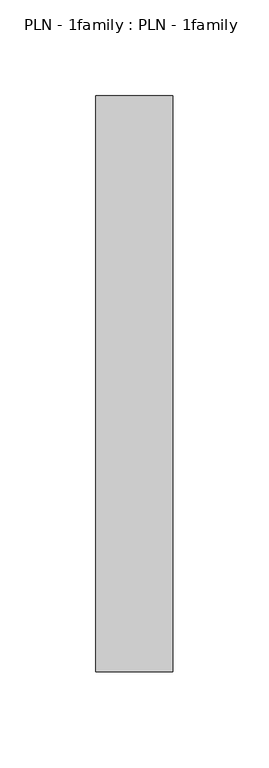
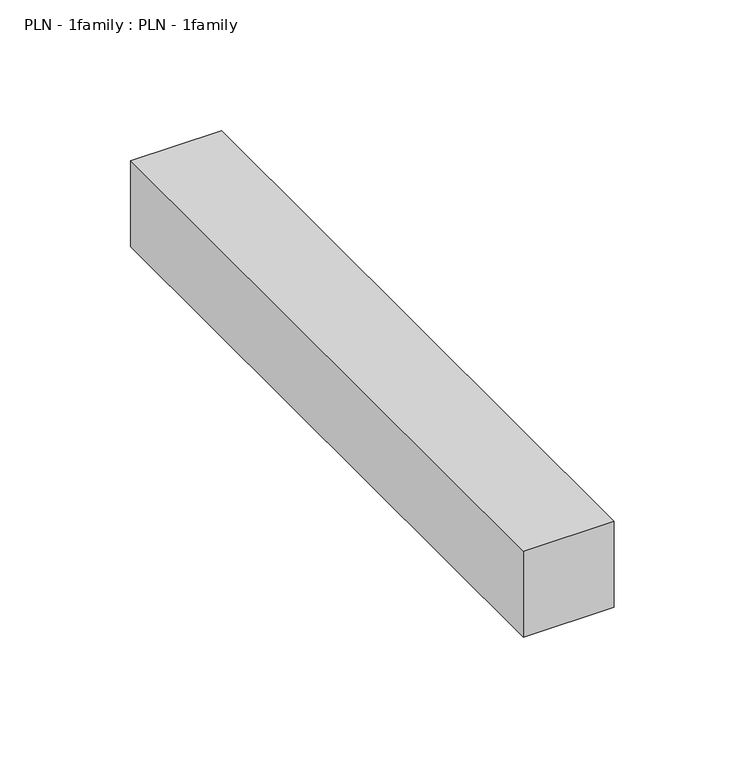
"""IFC4 building model written with IfcOpenShell, lengths in millimetres: proxy geometry, PLN - 1family : PLN - 1family."""

from ifc_helpers import new_model, si_unit, frame, origin, place, context, project, spatial, polyline, outline, extrude, source, transform, mapped, element, save


def pln_1family_pln_1family_23dad07f(model_context):
    return source(origin(), model_context, "Body", "SweptSolid", [
        extrude(outline(polyline([(0.0, 300.0), (40.0, 300.0), (40.0, 0.0), (0.0, 0.0), (0.0, 300.0)])), frame((0.0, 0.0, 300.0), z_axis=(0.0, 0.0, 1.0), x_axis=(1.0, 0.0, 0.0)), (0.0, 0.0, 1.0), 40.0),
    ])


if __name__ == "__main__":
    model = new_model("IFC4")
    model_context = context("Model", 3, world=origin())
    ifc_project = project(units=[si_unit("LENGTHUNIT", "METRE", prefix="MILLI")], contexts=[model_context])
    site = spatial("IfcSite", under=ifc_project)
    building = spatial("IfcBuilding", under=site)
    placement = place(None, origin())
    pln_1family_pln_1family_shape = pln_1family_pln_1family_23dad07f(model_context)
    element("IfcBuildingElementProxy", 1, Name="PLN - 1family : PLN - 1family", ObjectType="PLN - 1family : PLN - 1family", at=placement, inside=building, context=model_context, shape_type="MappedRepresentation", body=[
        mapped(pln_1family_pln_1family_shape, transform((0.0, 0.0, 0.0), x_axis=(1.0, 0.0, 0.0), y_axis=(0.0, 1.0, 0.0), z_axis=(0.0, 0.0, 1.0))),
    ])
    save(model, "model.ifc")
